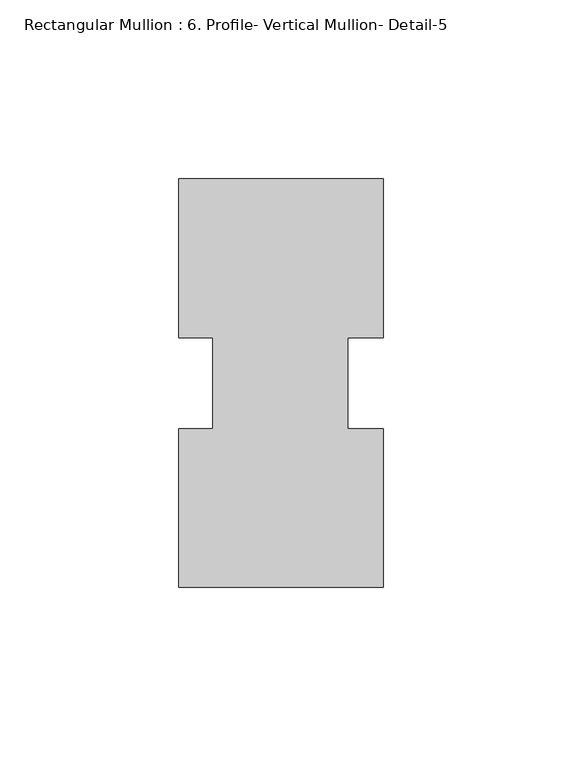
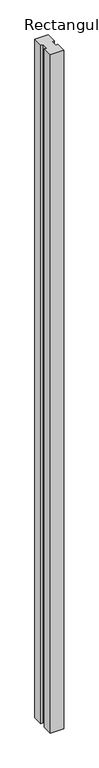
"""IFC4 building model written with IfcOpenShell, lengths in millimetres: member geometry, Rectangular Mullion : 6. Profile- Vertical Mullion- Detail-5."""

import ifcopenshell
import ifcopenshell.guid

model = None  # the IFC model being written
_history = None  # IfcOwnerHistory: only IFC2X3 demands one
_inside = {}  # id of a spatial element -> (the spatial element, [elements in it])
_under = {}  # id of a project, library or spatial element -> (it, [spatial elements below it])
_declared = {}  # id of a project -> (the project, [libraries it declares])
_typed = {}  # id of a type object -> (the type object, [elements of that type])
_made_of = {}  # id of a material, layer set ... -> (it, [elements and type objects made of it])


def new_model(schema):
    """Start an empty IFC model of exactly this schema.

    Asked for "IFC4X3", IfcOpenShell would pick the latest addendum, in which some entities
    have other attributes; the version numbers below select the first issue.
    IFC2X3 requires an IfcOwnerHistory on every rooted entity: one is made here for all.
    """
    global model, _history
    if schema == "IFC4X3":
        model = ifcopenshell.file(schema_version=(4, 3, 0, 0))
    else:
        model = ifcopenshell.file(schema=schema)
    _inside.clear()
    _under.clear()
    _declared.clear()
    _typed.clear()
    _made_of.clear()
    _history = None
    if model.schema == "IFC2X3":
        org = make("IfcOrganization", Name="unknown")
        user = make(
            "IfcPersonAndOrganization",
            ThePerson=make("IfcPerson", FamilyName="unknown"),
            TheOrganization=org,
        )
        app = make(
            "IfcApplication",
            ApplicationDeveloper=org,
            Version="unknown",
            ApplicationFullName="unknown",
            ApplicationIdentifier="unknown",
        )
        _history = make(
            "IfcOwnerHistory",
            OwningUser=user,
            OwningApplication=app,
            ChangeAction="ADDED",
            CreationDate=0,
        )
    return model


def make(cls, **values):
    """One entity of the class cls with the attributes given. An attribute that is None is left unset."""
    return model.create_entity(
        cls, **{name: value for name, value in values.items() if value is not None}
    )


def rooted(cls, **values):
    """An entity with a GlobalId (a new one), such as an element, a storey or a relation."""
    return make(cls, GlobalId=ifcopenshell.guid.new(), OwnerHistory=_history, **values)


def si_unit(unit_type, name, prefix=None):
    """IfcSIUnit, for example si_unit("LENGTHUNIT", "METRE", prefix="MILLI")."""
    return make("IfcSIUnit", UnitType=unit_type, Prefix=prefix, Name=name)


def assignment(units):
    """IfcUnitAssignment: the units of a project."""
    return None if units is None else make("IfcUnitAssignment", Units=units)


def point(xyz):
    """IfcCartesianPoint."""
    return None if xyz is None else make("IfcCartesianPoint", Coordinates=xyz)


def direction(xyz):
    """IfcDirection."""
    return None if xyz is None else make("IfcDirection", DirectionRatios=xyz)


def frame(location, z_axis=None, x_axis=None):
    """IfcAxis2Placement3D, a coordinate frame: its origin and axes. An axis left out is left unset."""
    return make(
        "IfcAxis2Placement3D",
        Location=point(location),
        Axis=direction(z_axis),
        RefDirection=direction(x_axis),
    )


def origin():
    """The frame at (0, 0, 0) with its axes left unset."""
    return frame((0.0, 0.0, 0.0))


def place(relative_to, where):
    """IfcLocalPlacement: puts the frame where relative to a parent placement (None: the world)."""
    return make(
        "IfcLocalPlacement", PlacementRelTo=relative_to, RelativePlacement=where
    )


def context(
    kind, dimensions, precision=None, world=None, true_north=None, identifier=None
):
    """IfcGeometricRepresentationContext, for example the 3D "Model" context."""
    return make(
        "IfcGeometricRepresentationContext",
        ContextIdentifier=identifier,
        ContextType=kind,
        CoordinateSpaceDimension=dimensions,
        Precision=precision,
        WorldCoordinateSystem=world,
        TrueNorth=true_north,
    )


def project(units=None, contexts=None):
    """IfcProject with its units and contexts."""
    return rooted(
        "IfcProject",
        Name="project",
        RepresentationContexts=contexts,
        UnitsInContext=assignment(units),
    )


def spatial(cls, under=None, at=None, **own):
    """A site, building, storey or space (cls), placed at a placement, below another one or the project."""
    s = rooted(cls, ObjectPlacement=at, **own)
    if under is not None:
        _under.setdefault(under.id(), (under, []))[1].append(s)
    return s


def polyline(points):
    """IfcPolyline through the points."""
    return make("IfcPolyline", Points=[point(p) for p in points])


def outline(outer, holes=None, kind="AREA"):
    """IfcArbitraryClosedProfileDef: a profile drawn as a closed curve; with holes, ...WithVoids."""
    if holes is None:
        return make("IfcArbitraryClosedProfileDef", ProfileType=kind, OuterCurve=outer)
    return make(
        "IfcArbitraryProfileDefWithVoids",
        ProfileType=kind,
        OuterCurve=outer,
        InnerCurves=holes,
    )


def extrude(swept, where, along, depth):
    """IfcExtrudedAreaSolid: the profile swept, set in the frame where, extruded along a direction by depth."""
    return make(
        "IfcExtrudedAreaSolid",
        SweptArea=swept,
        Position=where,
        ExtrudedDirection=direction(along),
        Depth=depth,
    )


def shape(context_of_items, identifier, shape_type, items):
    """IfcShapeRepresentation: the items that make up one representation, for example the "Body"."""
    return make(
        "IfcShapeRepresentation",
        ContextOfItems=context_of_items,
        RepresentationIdentifier=identifier,
        RepresentationType=shape_type,
        Items=items,
    )


def source(mapping_origin, context_of_items, identifier, shape_type, items):
    """IfcRepresentationMap: a shape defined once, which mapped items show again and again."""
    return make(
        "IfcRepresentationMap",
        MappingOrigin=mapping_origin,
        MappedRepresentation=shape(context_of_items, identifier, shape_type, items),
    )


def transform(
    local_origin,
    x_axis=None,
    y_axis=None,
    z_axis=None,
    scale=None,
    scale2=None,
    scale3=None,
    uniform=True,
):
    """IfcCartesianTransformationOperator3D, or its non-uniform kind. x_axis, y_axis, z_axis: its Axis1, 2, 3."""
    if uniform:
        return make(
            "IfcCartesianTransformationOperator3D",
            Axis1=direction(x_axis),
            Axis2=direction(y_axis),
            LocalOrigin=point(local_origin),
            Scale=scale,
            Axis3=direction(z_axis),
        )
    return make(
        "IfcCartesianTransformationOperator3DnonUniform",
        Axis1=direction(x_axis),
        Axis2=direction(y_axis),
        LocalOrigin=point(local_origin),
        Scale=scale,
        Axis3=direction(z_axis),
        Scale2=scale2,
        Scale3=scale3,
    )


def mapped(mapping_source, mapping_target):
    """IfcMappedItem: shows the shape of a source again, moved by a transform."""
    return make(
        "IfcMappedItem", MappingSource=mapping_source, MappingTarget=mapping_target
    )


def made_of(thing, what):
    """Note that an element or type object is made of a material, layer set ...; save() writes the relation."""
    if what is not None:
        _made_of.setdefault(what.id(), (what, []))[1].append(thing)
    return thing


def element(
    cls,
    number,
    at=None,
    inside=None,
    cuts=None,
    type_object=None,
    material=None,
    context=None,
    identifier="Body",
    shape_type=None,
    held_by="IfcProductDefinitionShape",
    body=None,
    shapes=None,
    **own,
):
    """One element of the class cls, such as IfcWall. Its Tag is "e" and its number.

    at: its placement. inside: the storey or other place that contains it. cuts: it is an
    opening in that element (IfcRelVoidsElement). A single representation is given by context,
    identifier, shape_type and body (its items); several are given by shapes. held_by: the class
    of the entity that holds the representations. save() writes the other relations.
    """
    e = rooted(cls, Tag="e%d" % number, ObjectPlacement=at, **own)
    if body is not None:
        shapes = [shape(context, identifier, shape_type, body)]
    if shapes is not None:
        e.Representation = make(held_by, Representations=shapes)
    if inside is not None:
        _inside.setdefault(inside.id(), (inside, []))[1].append(e)
    if cuts is not None:
        rooted(
            "IfcRelVoidsElement", RelatingBuildingElement=cuts, RelatedOpeningElement=e
        )
    if type_object is not None:
        _typed.setdefault(type_object.id(), (type_object, []))[1].append(e)
    return made_of(e, material)


def aggregate(whole, parts):
    """IfcRelAggregates: a whole, such as a stair, and the parts it consists of."""
    return rooted("IfcRelAggregates", RelatingObject=whole, RelatedObjects=parts)


def save(model, path):
    """Write the relations noted so far, then the file.

    IfcRelAggregates (storeys below a building ...), IfcRelContainedInSpatialStructure (elements
    in a storey), IfcRelDefinesByType, IfcRelAssociatesMaterial and IfcRelDeclares: one each for
    every whole, place, type object, material and project.
    """
    for whole, parts in _under.values():
        aggregate(whole, parts)
    for where, things in _inside.values():
        rooted(
            "IfcRelContainedInSpatialStructure",
            RelatedElements=things,
            RelatingStructure=where,
        )
    for kind, things in _typed.values():
        rooted("IfcRelDefinesByType", RelatedObjects=things, RelatingType=kind)
    for what, things in _made_of.values():
        rooted("IfcRelAssociatesMaterial", RelatedObjects=things, RelatingMaterial=what)
    for by, libraries in _declared.values():
        rooted("IfcRelDeclares", RelatingContext=by, RelatedDefinitions=libraries)
    model.write(path)


def rectangular_mullion_6_profile_vertical_mullion_detail_5_f2defc27(model_context):
    return source(origin(), model_context, "Body", "SweptSolid", [
        extrude(outline(polyline([(28.6822244, 57.1807698), (28.6822244, 12.763529), (18.8397244, 12.763529), (18.8397244, -12.7241693), (28.6822244, -12.7241693), (28.6822244, -57.1192302), (-28.4677756, -57.1192302), (-28.4677756, -12.7241693), (-18.9427756, -12.7241693), (-18.9427756, 12.763529), (-28.4677756, 12.763529), (-28.4677756, 57.1807698), (28.6822244, 57.1807698)])), frame((0.0, 0.0, -3048.0), z_axis=(0.0, 0.0, 1.0), x_axis=(1.0, 0.0, 0.0)), (0.0, 0.0, 1.0), 3048.0),
    ])


if __name__ == "__main__":
    model = new_model("IFC4")
    model_context = context("Model", 3, world=origin())
    ifc_project = project(units=[si_unit("LENGTHUNIT", "METRE", prefix="MILLI")], contexts=[model_context])
    site = spatial("IfcSite", under=ifc_project)
    building = spatial("IfcBuilding", under=site)
    placement = place(None, origin())
    rectangular_mullion_6_profile_vertical_mullion_detail_5_shape = rectangular_mullion_6_profile_vertical_mullion_detail_5_f2defc27(model_context)
    element("IfcMember", 1, ObjectType="Rectangular Mullion : 6. Profile- Vertical Mullion- Detail-5", at=placement, inside=building, context=model_context, shape_type="MappedRepresentation", body=[
        mapped(rectangular_mullion_6_profile_vertical_mullion_detail_5_shape, transform((0.0, 0.0, 0.0), x_axis=(1.0, 0.0, 0.0), y_axis=(0.0, 1.0, 0.0), z_axis=(0.0, 0.0, 1.0))),
    ])
    save(model, "model.ifc")
